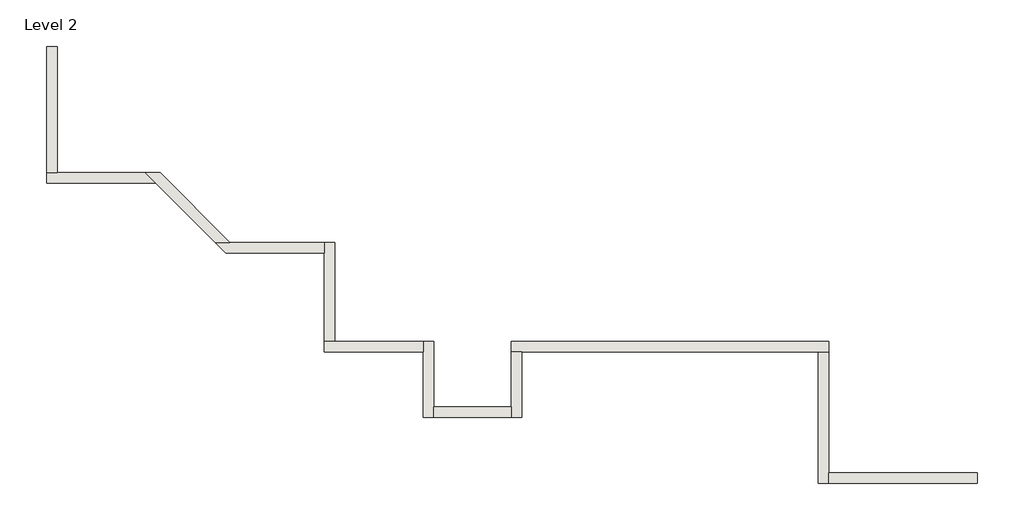
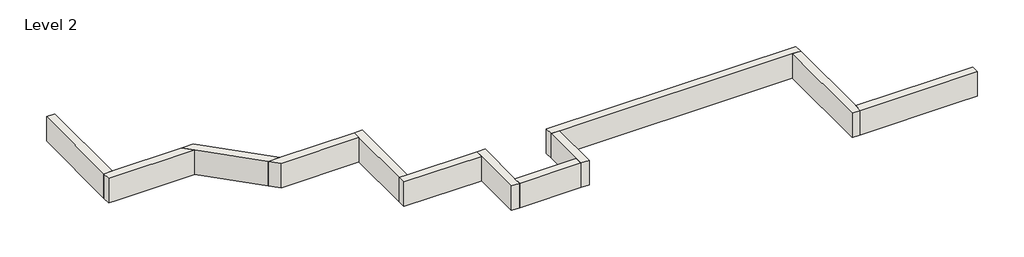
# One storey: 12 walls.
"""IFC4 building model written with IfcOpenShell, lengths in millimetres."""

from ifc_helpers import new_model, si_unit, frame, origin, place, context, project, spatial, polyline, outline, extrude, faceted_brep, element, save

model = new_model("IFC4")

# Units and contexts
model_context = context("Model", 3, world=origin())
ifc_project = project(units=[si_unit("LENGTHUNIT", "METRE", prefix="MILLI")], contexts=[model_context])

# Site, building, storey
site = spatial("IfcSite", under=ifc_project)
building = spatial("IfcBuilding", under=site)
storey = spatial("IfcBuildingStorey", under=building, Name="Level 2", Elevation=3048.0)

# Walls
placement = place(None, origin())
element("IfcWall", 1, ObjectType="Generic - 8\" Brick", at=placement, inside=storey, context=model_context, shape_type="Brep", body=[
    faceted_brep([(7508.832857, 1406.525, 3048.0), (4876.757857, 1406.525, 3048.0), (3657.557857, 1406.525, 3048.0), (1635.0852383, 1406.525, 3048.0), (1635.0852383, 1406.525, 3657.6), (7508.832857, 1406.525, 3657.6), (7508.832857, 1212.85, 3048.0), (7508.832857, 1212.85, 3657.6), (7315.157857, 1212.85, 3657.6), (1828.7602383, 1212.85, 3657.6), (1635.0852383, 1212.85, 3657.6), (1635.0852383, 1212.85, 3048.0), (1828.7602383, 1212.85, 3048.0), (3657.557857, 1212.85, 3048.0), (4876.757857, 1212.85, 3048.0), (7315.157857, 1212.85, 3048.0)], [[[0, 1, 2, 3, 4, 5]], [[6, 7, 8, 9, 10, 11, 12, 13, 14, 15]], [[3, 2, 1, 0, 6, 15, 14, 13, 12, 11]], [[5, 4, 10, 9, 8, 7]], [[4, 3, 11, 10]], [[0, 5, 7, 6]]]),
])
element("IfcWall", 2, ObjectType="Generic - 8\" Brick", at=placement, inside=storey, context=model_context, shape_type="Brep", body=[
    faceted_brep([(1635.0852383, 1212.85, 3048.0), (1635.0852383, 193.675, 3048.0), (1635.0852383, 0.0, 3048.0), (1635.0852383, 0.0, 3657.6), (1635.0852383, 193.675, 3657.6), (1635.0852383, 1212.85, 3657.6), (1828.7602383, 1212.85, 3048.0), (1828.7602383, 1212.85, 3657.6), (1828.7602383, 0.0, 3657.6), (1828.7602383, 0.0, 3048.0)], [[[0, 1, 2, 3, 4, 5]], [[6, 7, 8, 9]], [[2, 1, 0, 6, 9]], [[5, 4, 3, 8, 7]], [[0, 5, 7, 6]], [[3, 2, 9, 8]]]),
])
element("IfcWall", 3, ObjectType="Generic - 8\" Brick", at=placement, inside=storey, context=model_context, shape_type="SweptSolid", body=[
    extrude(outline(polyline([(193.632857, 193.675), (1635.0852383, 193.675), (1635.0852383, 0.0), (193.632857, 0.0), (193.632857, 193.675)])), frame((0.0, 0.0, 3048.0), z_axis=(0.0, 0.0, 1.0), x_axis=(1.0, 0.0, 0.0)), (0.0, 0.0, 1.0), 609.6),
])
element("IfcWall", 4, ObjectType="Generic - 8\" Brick", at=placement, inside=storey, context=model_context, shape_type="Brep", body=[
    faceted_brep([(193.632857, 0.0, 3048.0), (193.632857, 193.675, 3048.0), (193.632857, 1412.8726187, 3048.0), (193.632857, 1412.8726187, 3657.6), (193.632857, 193.675, 3657.6), (193.632857, 0.0, 3657.6), (-0.042143, 0.0, 3048.0), (-0.042143, 0.0, 3657.6), (-0.042143, 1219.1976187, 3657.6), (-0.042143, 1412.8726187, 3657.6), (-0.042143, 1412.8726187, 3048.0), (-0.042143, 1219.1976187, 3048.0)], [[[0, 1, 2, 3, 4, 5]], [[6, 7, 8, 9, 10, 11]], [[2, 1, 0, 6, 11, 10]], [[5, 4, 3, 9, 8, 7]], [[0, 5, 7, 6]], [[3, 2, 10, 9]]]),
])
element("IfcWall", 5, ObjectType="Generic - 8\" Brick", at=placement, inside=storey, context=model_context, shape_type="Brep", body=[
    faceted_brep([(-0.042143, 1412.8726187, 3048.0), (-1635.135393, 1412.8726187, 3048.0), (-1828.810393, 1412.8726187, 3048.0), (-1828.810393, 1412.8726187, 3657.6), (-1635.135393, 1412.8726187, 3657.6), (-0.042143, 1412.8726187, 3657.6), (-0.042143, 1219.1976187, 3048.0), (-0.042143, 1219.1976187, 3657.6), (-1828.810393, 1219.1976187, 3657.6), (-1828.810393, 1219.1976187, 3048.0)], [[[0, 1, 2, 3, 4, 5]], [[6, 7, 8, 9]], [[2, 1, 0, 6, 9]], [[5, 4, 3, 8, 7]], [[0, 5, 7, 6]], [[3, 2, 9, 8]]]),
])
element("IfcWall", 6, ObjectType="Generic - 8\" Brick", at=placement, inside=storey, context=model_context, shape_type="Brep", body=[
    faceted_brep([(-1635.135393, 1412.8726187, 3048.0), (-1635.135393, 3241.6590504, 3048.0), (-1635.135393, 3241.6590504, 3657.6), (-1635.135393, 1412.8726187, 3657.6), (-1828.810393, 1412.8726187, 3048.0), (-1828.810393, 1412.8726187, 3657.6), (-1828.810393, 3047.9840504, 3657.6), (-1828.810393, 3241.6590504, 3657.6), (-1828.810393, 3241.6590504, 3048.0), (-1828.810393, 3047.9840504, 3048.0)], [[[0, 1, 2, 3]], [[4, 5, 6, 7, 8, 9]], [[1, 0, 4, 9, 8]], [[3, 2, 7, 6, 5]], [[0, 3, 5, 4]], [[2, 1, 8, 7]]]),
])
element("IfcWall", 7, ObjectType="Generic - 8\" Brick", at=placement, inside=storey, context=model_context, shape_type="Brep", body=[
    faceted_brep([(7508.832857, -1219.1571375, 3048.0), (7508.832857, -1025.4821375, 3048.0), (7508.832857, 1212.85, 3048.0), (7508.832857, 1212.85, 3657.6), (7508.832857, -1025.4821375, 3657.6), (7508.832857, -1219.1571375, 3657.6), (7315.157857, -1219.1571375, 3048.0), (7315.157857, -1219.1571375, 3657.6), (7315.157857, 1212.85, 3657.6), (7315.157857, 1212.85, 3048.0)], [[[0, 1, 2, 3, 4, 5]], [[6, 7, 8, 9]], [[2, 1, 0, 6, 9]], [[5, 4, 3, 8, 7]], [[3, 2, 9, 8]], [[0, 5, 7, 6]]]),
])
element("IfcWall", 8, ObjectType="Generic - 8\" Brick", at=placement, inside=storey, context=model_context, shape_type="Brep", body=[
    faceted_brep([(-1828.810393, 3241.6590504, 3048.0), (-3577.3749143, 3241.6590504, 3048.0), (-3851.272726, 3241.6590504, 3048.0), (-3851.272726, 3241.6590504, 3657.6), (-3577.3749143, 3241.6590504, 3657.6), (-1828.810393, 3241.6590504, 3657.6), (-1828.810393, 3047.9840504, 3048.0), (-1828.810393, 3047.9840504, 3657.6), (-3657.597726, 3047.9840504, 3657.6), (-3657.597726, 3047.9840504, 3048.0)], [[[0, 1, 2, 3, 4, 5]], [[6, 7, 8, 9]], [[2, 1, 0, 6, 9]], [[5, 4, 3, 8, 7]], [[0, 5, 7, 6]], [[3, 2, 9, 8]]]),
])
element("IfcWall", 9, ObjectType="Generic - 8\" Brick", at=placement, inside=storey, context=model_context, shape_type="Brep", body=[
    faceted_brep([(-3577.3749143, 3241.6590504, 3048.0), (-4870.4863099, 4534.7704459, 3048.0), (-4870.4863099, 4534.7704459, 3657.6), (-3577.3749143, 3241.6590504, 3657.6), (-3851.272726, 3241.6590504, 3048.0), (-3851.272726, 3241.6590504, 3657.6), (-4950.7091215, 4341.0954459, 3657.6), (-5144.3841215, 4534.7704459, 3657.6), (-5144.3841215, 4534.7704459, 3048.0), (-4950.7091215, 4341.0954459, 3048.0)], [[[0, 1, 2, 3]], [[4, 5, 6, 7, 8, 9]], [[1, 0, 4, 9, 8]], [[3, 2, 7, 6, 5]], [[0, 3, 5, 4]], [[2, 1, 8, 7]]]),
])
element("IfcWall", 10, ObjectType="Generic - 8\" Brick", at=placement, inside=storey, context=model_context, shape_type="Brep", body=[
    faceted_brep([(10266.3227383, -1025.4821375, 3048.0), (9753.5602383, -1025.4821375, 3048.0), (7508.832857, -1025.4821375, 3048.0), (7508.832857, -1025.4821375, 3657.6), (10266.3227383, -1025.4821375, 3657.6), (10266.3227383, -1219.1571375, 3048.0), (10266.3227383, -1219.1571375, 3657.6), (7508.832857, -1219.1571375, 3657.6), (7508.832857, -1219.1571375, 3048.0), (9753.5602383, -1219.1571375, 3048.0)], [[[0, 1, 2, 3, 4]], [[5, 6, 7, 8, 9]], [[2, 1, 0, 5, 9, 8]], [[4, 3, 7, 6]], [[0, 4, 6, 5]], [[3, 2, 8, 7]]]),
])
element("IfcWall", 11, ObjectType="Generic - 8\" Brick", at=placement, inside=storey, context=model_context, shape_type="Brep", body=[
    faceted_brep([(-5144.3841215, 4534.7704459, 3048.0), (-6779.536109, 4534.7704459, 3048.0), (-6973.211109, 4534.7704459, 3048.0), (-6973.211109, 4534.7704459, 3657.6), (-6779.536109, 4534.7704459, 3657.6), (-5144.3841215, 4534.7704459, 3657.6), (-4950.7091215, 4341.0954459, 3048.0), (-4950.7091215, 4341.0954459, 3657.6), (-6973.211109, 4341.0954459, 3657.6), (-6973.211109, 4341.0954459, 3048.0), (-6779.536109, 4341.0954459, 3048.0)], [[[0, 1, 2, 3, 4, 5]], [[6, 7, 8, 9, 10]], [[2, 1, 0, 6, 10, 9]], [[5, 4, 3, 8, 7]], [[3, 2, 9, 8]], [[0, 5, 7, 6]]]),
])
element("IfcWall", 12, ObjectType="Generic - 8\" Brick", at=placement, inside=storey, context=model_context, shape_type="SweptSolid", body=[
    extrude(outline(polyline([(-6779.536109, 6876.3329459), (-6779.536109, 4534.7704459), (-6973.211109, 4534.7704459), (-6973.211109, 6876.3329459), (-6779.536109, 6876.3329459)])), frame((0.0, 0.0, 3048.0), z_axis=(0.0, 0.0, 1.0), x_axis=(1.0, 0.0, 0.0)), (0.0, 0.0, 1.0), 609.6),
])

save(model, "model.ifc")
